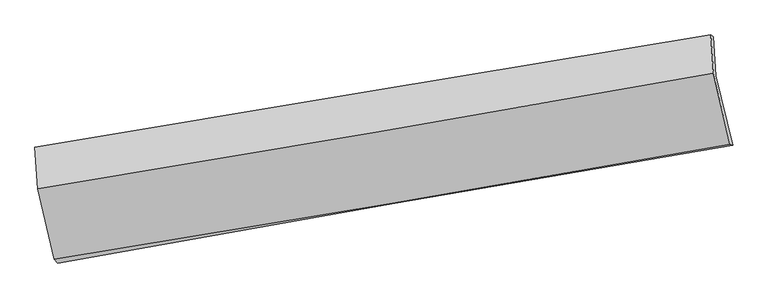
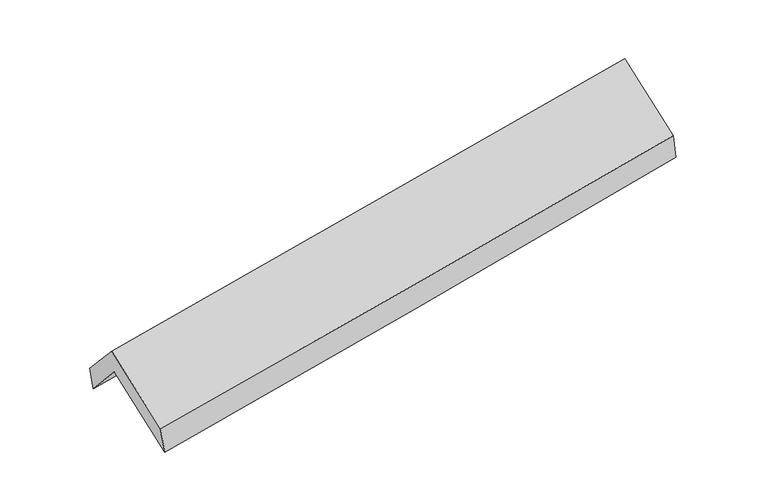
"""IFC4 building model written with IfcOpenShell, lengths in millimetres: proxy geometry."""

from ifc_helpers import new_model, si_unit, frame, origin, place, context, project, spatial, source, transform, mapped, element, save
from ifc_brep_helpers import plane_surface, spline_curve, spline_surface, advanced_brep


def generic_models_20648625(model_context):
    return source(origin(), model_context, "Body", "AdvancedBrep", [
        advanced_brep(
        [(-2249.6569668, -2484.4246896, 1466.7679169), (-2371.288669, -1974.8854146, 1901.0096075), (2305.7965235, -1190.1797236, 2352.3834623), (2422.3959365, -1671.1414281, 1902.9784814), (-2387.8273308, -1708.0854847, 1600.09777), (2288.5482678, -921.1969641, 2055.7112582), (-2406.6843919, -1684.6247003, 1768.6283515), (2272.197984, -906.8918324, 2216.2715291), (-2388.3669991, -1969.5699034, 2082.6784826), (2289.8941058, -1173.7291745, 2503.8882119), (-2271.6941692, -2459.1393688, 1667.6056596), (2404.4354005, -1661.4707187, 2090.4446355)],
        [
            (0, 1),
            (1, 2, spline_curve(3, [(-2371.288669, -1974.8854146, 1901.0096075), (-1590.70499345, -1846.487861514, 1968.667615675), (-810.673416015, -1716.899914039, 2040.109261365), (748.355079784, -1455.331562557, 2190.566537721), (1527.351899952, -1323.350946666, 2269.582843914), (2305.7965235, -1190.1797236, 2352.3834623)], [4, 2, 4], [0.0, 7.813247573943726, 15.627192171766254])),
            (2, 3),
            (3, 0, spline_curve(3, [(2422.3959365, -1671.1414281, 1902.9784814), (1643.765610391, -1801.513295356, 1820.404722923), (865.095337904, -1934.475972716, 1742.765562043), (-692.255637157, -2205.570855366, 1597.36292079), (-1470.936332267, -2343.702598704, 1529.598560326), (-2249.6569668, -2484.4246896, 1466.7679169)], [4, 2, 4], [0.0, 7.813944597822528, 15.627192171766254])),
            (1, 4),
            (4, 5, spline_curve(3, [(-2387.8273308, -1708.0854847, 1600.09777), (-1607.256736903, -1577.868537582, 1664.588064392), (-827.290828473, -1447.188966076, 1734.799053359), (731.501145693, -1184.892874861, 1886.669195546), (1510.327103272, -1053.27627306, 1968.329369027), (2288.5482678, -921.1969641, 2055.7112582)], [4, 2, 4], [0.0, 7.8146546380502215, 15.630006425504165])),
            (5, 2),
            (4, 6),
            (6, 7, spline_curve(3, [(-2406.6843919, -1684.6247003, 1768.6283515), (-1626.58329982, -1553.796390157, 1837.981111548), (-846.643273275, -1423.574026382, 1909.959308987), (712.984214362, -1164.32962887, 2059.173232842), (1492.671646097, -1035.307703279, 2136.409428189), (2272.197984, -906.8918324, 2216.2715291)], [4, 2, 4], [0.0, 7.814825761382414, 15.630348687434552])),
            (7, 5),
            (6, 8),
            (8, 9, spline_curve(3, [(-2388.3669991, -1969.5699034, 2082.6784826), (-1608.170925239, -1841.75606057, 2156.430594258), (-828.235173494, -1711.532143775, 2228.405974482), (731.185241145, -1446.252331078, 2368.809534776), (1510.669857841, -1311.196004488, 2437.23739758), (2289.8941058, -1173.7291745, 2503.8882119)], [4, 2, 4], [0.0, 7.814808552177761, 15.630314267490004])),
            (9, 7),
            (8, 10),
            (10, 11, spline_curve(3, [(-2271.6941692, -2459.1393688, 1667.6056596), (-1491.097196476, -2334.222261, 1738.915381756), (-711.138598292, -2205.294463293, 1809.805271136), (847.571372254, -1939.405628796, 1950.751671535), (1626.322630666, -1802.443876514, 2020.808107181), (2404.4354005, -1661.4707187, 2090.4446355)], [4, 2, 4], [0.0, 7.813558314980832, 15.627813681561836])),
            (11, 9),
            (10, 0),
            (3, 11),
        ],
        [
            spline_surface(3, 3, [[(-2249.6569668, -2484.4246896, 1466.7679169), (-1470.936332306, -2343.702598651, 1529.598560197), (-692.255637071, -2205.570855389, 1597.362920829), (865.095337818, -1934.475972692, 1742.765562004), (1643.765610358, -1801.513295462, 1820.404722885), (2422.3959365, -1671.1414281, 1902.9784814)], [(-2290.200867529, -2314.578264606, 1611.515147085), (-1510.859219359, -2177.964352966, 1675.954912034), (-731.728230093, -2042.680541569, 1744.945034313), (826.181918508, -1774.761169353, 1892.032553927), (1604.961040269, -1642.125845873, 1970.130763195), (2383.529465526, -1510.820859954, 2052.780141691)], [(-2330.744768271, -2144.731839594, 1756.262377315), (-1550.782106426, -2012.226107263, 1822.311263915), (-771.200823107, -1879.790227745, 1892.527147815), (787.268499208, -1615.04636601, 2041.299545866), (1566.156470103, -1482.738396222, 2119.856803532), (2344.662994474, -1350.500291746, 2202.581802009)], [(-2371.288669, -1974.8854146, 1901.0096075), (-1590.704993479, -1846.487861578, 1968.667615752), (-810.673416129, -1716.899913925, 2040.109261299), (748.355079898, -1455.331562671, 2190.566537788), (1527.351900014, -1323.350946634, 2269.582843842), (2305.7965235, -1190.1797236, 2352.3834623)]], [4, 4], [4, 2, 4], [0.0, 2.1916891268530185], [0.0, 7.813247573943726, 15.627192171766254]),
            spline_surface(3, 3, [[(-2371.288669, -1974.8854146, 1901.0096075), (-1590.704993479, -1846.487861578, 1968.667615752), (-810.673416129, -1716.899913925, 2040.109261299), (748.355079898, -1455.331562671, 2190.566537788), (1527.351900014, -1323.350946634, 2269.582843842), (2305.7965235, -1190.1797236, 2352.3834623)], [(-2376.801556255, -1885.95210463, 1800.705661657), (-1596.222241314, -1756.948086882, 1867.307765269), (-816.212553538, -1626.996264593, 1938.339192039), (742.737101838, -1365.185333431, 2089.267423703), (1521.676967749, -1233.326055405, 2169.165018918), (2300.047104907, -1100.518803759, 2253.492727609)], [(-2382.314443545, -1797.01879467, 1700.401715843), (-1601.739489183, -1667.408312195, 1765.947914815), (-821.751691018, -1537.09261529, 1836.569122706), (737.119123707, -1275.039104218, 1987.968309544), (1516.002035561, -1143.3011642, 2068.747193967), (2294.297686393, -1010.857883941, 2154.601992891)], [(-2387.8273308, -1708.0854847, 1600.09777), (-1607.256737019, -1577.868537499, 1664.588064332), (-827.290828426, -1447.188965959, 1734.799053446), (731.501145646, -1184.892874978, 1886.669195459), (1510.327103295, -1053.276272971, 1968.329369043), (2288.5482678, -921.1969641, 2055.7112582)]], [4, 4], [4, 2, 4], [0.0, 1.3367316197175572], [0.0, 7.8146546380502215, 15.630006425504165]),
            spline_surface(3, 3, [[(-2387.8273308, -1708.0854847, 1600.09777), (-1607.256737019, -1577.868537499, 1664.588064332), (-827.290828426, -1447.188965959, 1734.799053446), (731.501145646, -1184.892874978, 1886.669195459), (1510.327103295, -1053.276272971, 1968.329369043), (2288.5482678, -921.1969641, 2055.7112582)], [(-2394.113017852, -1700.265223231, 1656.274630501), (-1613.698924649, -1569.84448835, 1722.385746777), (-833.741643342, -1439.317319423, 1793.18580524), (725.328835167, -1178.038459626, 1944.170541278), (1504.441950922, -1047.286749745, 2024.356055442), (2283.098173211, -916.428586848, 2109.231348491)], [(-2400.398704848, -1692.444961769, 1712.451490999), (-1620.141112223, -1561.820439207, 1780.183429217), (-840.192458231, -1431.445672876, 1851.572557077), (719.156524713, -1171.184044264, 2001.671887139), (1498.556798517, -1041.297226576, 2080.382741868), (2277.648078589, -911.660209652, 2162.751438809)], [(-2406.6843919, -1684.6247003, 1768.6283515), (-1626.583299853, -1553.796390058, 1837.981111661), (-846.643273147, -1423.57402634, 1909.959308871), (712.984214234, -1164.329628912, 2059.173232958), (1492.671646144, -1035.30770335, 2136.409428266), (2272.197984, -906.8918324, 2216.2715291)]], [4, 4], [4, 2, 4], [0.0, 0.5782476074826493], [0.0, 7.814825761382414, 15.630348687434552]),
            spline_surface(3, 3, [[(-2406.6843919, -1684.6247003, 1768.6283515), (-1626.583299853, -1553.796390058, 1837.981111661), (-846.643273147, -1423.57402634, 1909.959308871), (712.984214234, -1164.329628912, 2059.173232958), (1492.671646144, -1035.30770335, 2136.409428266), (2272.197984, -906.8918324, 2216.2715291)], [(-2400.578594282, -1779.606434668, 1873.311728559), (-1620.445841669, -1649.782946872, 1944.130939233), (-840.507239966, -1519.560065519, 2016.10819745), (719.051223197, -1258.303862922, 2162.385333544), (1498.671049987, -1127.270470445, 2236.685418028), (2278.096691253, -995.837613116, 2312.143756706)], [(-2394.472796718, -1874.588169032, 1977.995105541), (-1614.30838354, -1745.769503683, 2050.280766729), (-834.371206719, -1615.546104715, 2122.257085996), (725.118232225, -1352.278096949, 2265.597434097), (1504.670453872, -1219.233237491, 2336.961407772), (2283.995398547, -1084.783393784, 2408.015984294)], [(-2388.3669991, -1969.5699034, 2082.6784826), (-1608.170925356, -1841.756060497, 2156.430594302), (-828.235173538, -1711.532143894, 2228.405974575), (731.185241188, -1446.252330959, 2368.809534683), (1510.669857716, -1311.196004586, 2437.237397534), (2289.8941058, -1173.7291745, 2503.8882119)]], [4, 4], [4, 2, 4], [0.0, 1.3925136305798307], [0.0, 7.814808552177761, 15.630314267490004]),
            spline_surface(3, 3, [[(-2388.3669991, -1969.5699034, 2082.6784826), (-1608.170925356, -1841.756060497, 2156.430594302), (-828.235173538, -1711.532143894, 2228.405974575), (731.185241188, -1446.252330959, 2368.809534683), (1510.669857716, -1311.196004586, 2437.237397534), (2289.8941058, -1173.7291745, 2503.8882119)], [(-2349.476055808, -2132.759725206, 1944.320874911), (-1569.146349055, -2005.911460633, 2017.258856768), (-789.202981777, -1876.119583668, 2088.872406776), (769.980618202, -1610.636763576, 2229.456913585), (1549.220782038, -1474.945295207, 2298.427634104), (2328.074537395, -1336.309689236, 2366.073686422)], [(-2310.585112492, -2295.949546994, 1805.963267289), (-1530.121772728, -2170.066860752, 1878.087119301), (-750.170790022, -2040.707023474, 1949.338839029), (808.77599521, -1775.021196223, 2090.104292539), (1587.771706276, -1638.694585821, 2159.617870707), (2366.254968905, -1498.890203964, 2228.259160978)], [(-2271.6941692, -2459.1393688, 1667.6056596), (-1491.097196426, -2334.222260887, 1738.915381767), (-711.138598261, -2205.294463248, 1809.80527123), (847.571372223, -1939.40562884, 1950.75167144), (1626.322630599, -1802.443876442, 2020.808107278), (2404.4354005, -1661.4707187, 2090.4446355)]], [4, 4], [4, 2, 4], [0.0, 2.1567086787311993], [0.0, 7.813558314980832, 15.627813681561836]),
            spline_surface(3, 3, [[(-2271.6941692, -2459.1393688, 1667.6056596), (-1491.097196426, -2334.222260887, 1738.915381767), (-711.138598261, -2205.294463248, 1809.80527123), (847.571372223, -1939.40562884, 1950.75167144), (1626.322630599, -1802.443876442, 2020.808107278), (2404.4354005, -1661.4707187, 2090.4446355)], [(-2264.348435074, -2467.567809059, 1600.659745386), (-1484.376908393, -2337.382373468, 1669.14310793), (-704.844277856, -2205.386593983, 1738.991154432), (853.412694096, -1937.762410145, 1881.422968297), (1632.136957161, -1802.133682769, 1954.006979161), (2410.422245809, -1664.694288487, 2027.955917481)], [(-2257.002700926, -2475.996249341, 1533.713831114), (-1477.656620339, -2340.542486071, 1599.370834034), (-698.549957476, -2205.478724655, 1668.177037627), (859.254015945, -1936.119191387, 1812.094265148), (1637.951283796, -1801.823489135, 1887.205851002), (2416.409091191, -1667.917858313, 1965.467199419)], [(-2249.6569668, -2484.4246896, 1466.7679169), (-1470.936332306, -2343.702598651, 1529.598560197), (-692.255637071, -2205.570855389, 1597.362920829), (865.095337818, -1934.475972692, 1742.765562004), (1643.765610358, -1801.513295462, 1820.404722885), (2422.3959365, -1671.1414281, 1902.9784814)]], [4, 4], [4, 2, 4], [0.0, 0.6923016636306649], [0.0, 7.812022094336364, 15.624741103225858]),
            plane_surface(frame((2330.544703, -1254.1016402, 2186.9462631), z_axis=(0.9836742203575586, 0.15802991534508762, 0.08609049924337749), x_axis=(0.17633278962498744, -0.7508630600716221, -0.6364836308366065))),
            plane_surface(frame((-2345.9197545, -2046.7882602, 1747.7979647), z_axis=(-0.9832218633780131, -0.15992006689607546, -0.08775157878592524), x_axis=(-0.10822751874856838, 0.12417944353570143, 0.9863398349396074))),
        ],
        [
            (0, [[1, 2, 3, 4]]),
            (1, [[5, 6, 7, -2]]),
            (2, [[8, 9, 10, -6]]),
            (3, [[11, 12, 13, -9]]),
            (4, [[14, 15, 16, -12]]),
            (5, [[17, -4, 18, -15]]),
            (6, [[-16, -18, -3, -7, -10, -13]]),
            (7, [[-17, -14, -11, -8, -5, -1]]),
        ],
    ),
    ])


if __name__ == "__main__":
    model = new_model("IFC4")
    model_context = context("Model", 3, world=origin())
    ifc_project = project(units=[si_unit("LENGTHUNIT", "METRE", prefix="MILLI")], contexts=[model_context])
    site = spatial("IfcSite", under=ifc_project)
    building = spatial("IfcBuilding", under=site)
    placement = place(None, origin())
    generic_models_shape = generic_models_20648625(model_context)
    element("IfcBuildingElementProxy", 1, Name="Generic Models", at=placement, inside=building, context=model_context, shape_type="MappedRepresentation", body=[
        mapped(generic_models_shape, transform((0.0, 0.0, 0.0), x_axis=(1.0, 0.0, 0.0), y_axis=(0.0, 1.0, 0.0), z_axis=(0.0, 0.0, 1.0))),
    ])
    save(model, "model.ifc")
